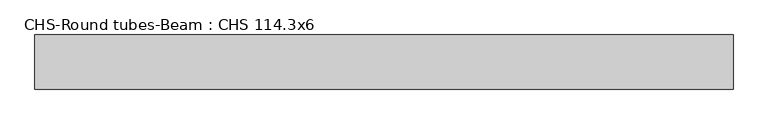
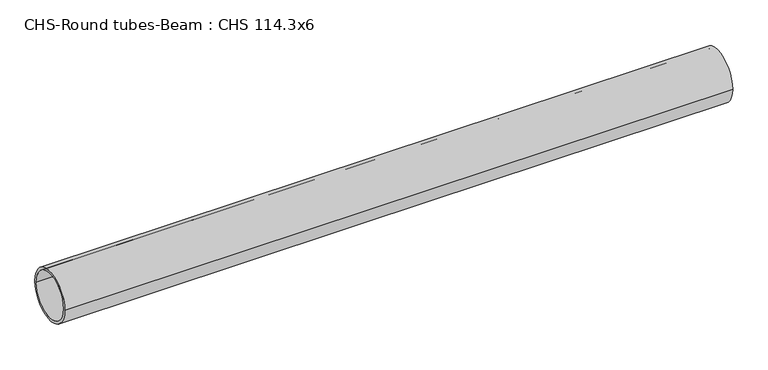
"""IFC4 building model written with IfcOpenShell, lengths in millimetres: beam geometry, CHS-Round tubes-Beam : CHS 114.3x6."""

from ifc_helpers import new_model, si_unit, point, frame, origin, origin_2d, place, context, project, spatial, circle_curve, trimmed, segment, composite_curve, outline, extrude, source, transform, mapped, element, save


def chs_round_tubes_beam_chs_114_3x6_5903b62a(model_context):
    return source(origin(), model_context, "Body", "SweptSolid", [
        extrude(outline(composite_curve([segment(trimmed(circle_curve(origin_2d(), 57.15), [point((57.15, 0.0))], [point((-57.15, 0.0))], False, "CARTESIAN"), True, "CONTINUOUS"), segment(trimmed(circle_curve(origin_2d(), 57.15), [point((-57.15, 0.0))], [point((57.15, 0.0))], False, "CARTESIAN"), True, "CONTINUOUS")], self_intersect=False), holes=[composite_curve([segment(trimmed(circle_curve(origin_2d(), 51.15), [point((51.15, 0.0))], [point((-51.15, 0.0))], True, "CARTESIAN"), True, "CONTINUOUS"), segment(trimmed(circle_curve(origin_2d(), 51.15), [point((-51.15, 0.0))], [point((51.15, 0.0))], True, "CARTESIAN"), True, "CONTINUOUS")], self_intersect=False)]), frame((-761.1167189, 0.0, 0.0), z_axis=(1.0, 0.0, 0.0), x_axis=(0.0, 1.0, 0.0)), (0.0, 0.0, 1.0), 1473.9771309),
    ])


if __name__ == "__main__":
    model = new_model("IFC4")
    model_context = context("Model", 3, world=origin())
    ifc_project = project(units=[si_unit("LENGTHUNIT", "METRE", prefix="MILLI")], contexts=[model_context])
    site = spatial("IfcSite", under=ifc_project)
    building = spatial("IfcBuilding", under=site)
    placement = place(None, origin())
    chs_round_tubes_beam_chs_114_3x6_shape = chs_round_tubes_beam_chs_114_3x6_5903b62a(model_context)
    element("IfcBeam", 1, ObjectType="CHS-Round tubes-Beam : CHS 114.3x6", at=placement, inside=building, context=model_context, shape_type="MappedRepresentation", body=[
        mapped(chs_round_tubes_beam_chs_114_3x6_shape, transform((0.0, 0.0, 0.0), x_axis=(1.0, 0.0, 0.0), y_axis=(0.0, 1.0, 0.0), z_axis=(0.0, 0.0, 1.0))),
    ])
    save(model, "model.ifc")
